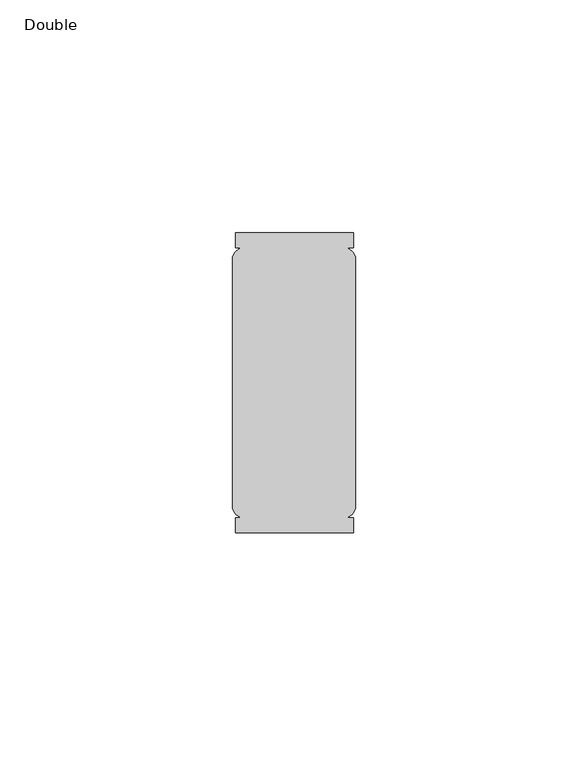
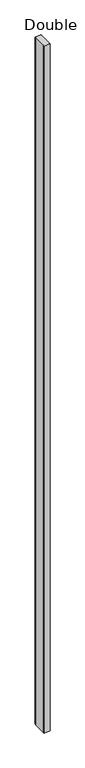
"""IFC4 building model written with IfcOpenShell, lengths in millimetres: furniture geometry, Double."""

from ifc_helpers import new_model, si_unit, point, frame, frame_2d, origin, place, context, project, spatial, polyline, circle_curve, trimmed, segment, composite_curve, outline, extrude, source, transform, mapped, element, save


def double_6c06986d(model_context):
    return source(origin(), model_context, "Body", "SweptSolid", [
        extrude(outline(composite_curve([segment(trimmed(circle_curve(frame_2d((-10.5835219, 21.8354858)), 2.794), [point((-13.2844361, 22.5506771))], [point((-11.2987132, 24.5364))], False, "CARTESIAN"), True, "CONTINUOUS"), segment(polyline([(-11.2987132, 24.5364), (-12.7, 24.5364), (-12.7, 27.7114), (12.7, 27.7114), (12.7, 24.5364), (11.0532868, 24.5364)]), True, "CONTINUOUS"), segment(trimmed(circle_curve(frame_2d((10.3380955, 21.8354858)), 2.794), [point((11.0532868, 24.5364))], [point((13.0390096, 22.5506771))], False, "CARTESIAN"), True, "CONTINUOUS"), segment(polyline([(13.0390096, 22.5506771), (13.0390096, -31.4914771)]), True, "CONTINUOUS"), segment(trimmed(circle_curve(frame_2d((10.3380955, -30.7762858)), 2.794), [point((13.0390096, -31.4914771))], [point((11.0532868, -33.4772))], False, "CARTESIAN"), True, "CONTINUOUS"), segment(polyline([(11.0532868, -33.4772), (12.7, -33.4772), (12.7, -36.6522), (-12.7, -36.6522), (-12.7, -33.4772), (-11.2987132, -33.4772)]), True, "CONTINUOUS"), segment(trimmed(circle_curve(frame_2d((-10.5835219, -30.7762858)), 2.794), [point((-11.2987132, -33.4772))], [point((-13.2844361, -31.4914771))], False, "CARTESIAN"), True, "CONTINUOUS"), segment(polyline([(-13.2844361, -31.4914771), (-13.2844361, 22.5506771)]), True, "CONTINUOUS")], self_intersect=False)), frame((0.0, 0.0, 29.718), z_axis=(0.0, 0.0, 1.0), x_axis=(1.0, 0.0, 0.0)), (0.0, 0.0, 1.0), 2958.735199),
    ])


if __name__ == "__main__":
    model = new_model("IFC4")
    model_context = context("Model", 3, world=origin())
    ifc_project = project(units=[si_unit("LENGTHUNIT", "METRE", prefix="MILLI")], contexts=[model_context])
    site = spatial("IfcSite", under=ifc_project)
    building = spatial("IfcBuilding", under=site)
    placement = place(None, origin())
    double_shape = double_6c06986d(model_context)
    element("IfcFurniture", 1, ObjectType="Double", at=placement, inside=building, context=model_context, shape_type="MappedRepresentation", body=[
        mapped(double_shape, transform((0.0, 0.0, 0.0), x_axis=(1.0, 0.0, 0.0), y_axis=(0.0, 1.0, 0.0), z_axis=(0.0, 0.0, 1.0))),
    ])
    save(model, "model.ifc")
